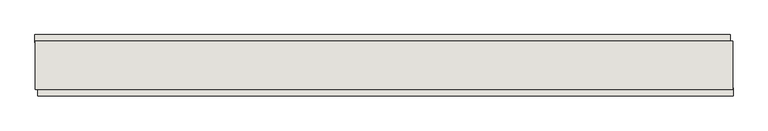
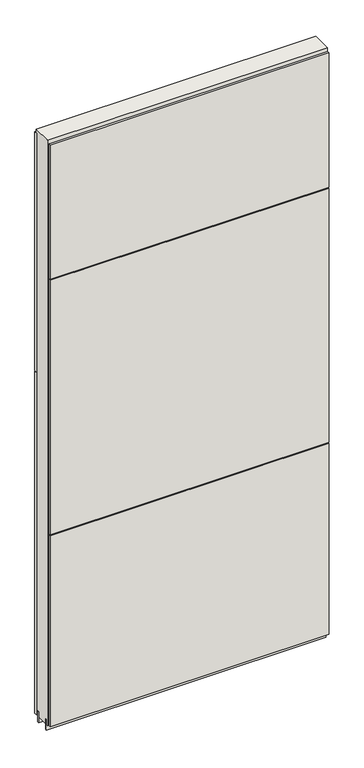
"""IFC4 building model written with IfcOpenShell, lengths in millimetres: wall geometry."""

from ifc_helpers import new_model, si_unit, frame, origin, place, context, project, spatial, polyline, outline, extrude, source, transform, mapped, element, save


def wall_36189a36(model_context):
    return source(origin(), model_context, "Body", "SweptSolid", [
        extrude(outline(polyline([(81634.308918, -53666.744711), (81631.768918, -53666.744711), (81631.768918, -53664.204711), (81634.308918, -53664.204711), (81634.308918, -53666.744711)])), frame((0.0, 0.0, 4419.6), z_axis=(0.0, 0.0, 1.0), x_axis=(1.0, 0.0, 0.0)), (0.0, 0.0, 1.0), 2.54),
        extrude(outline(polyline([(80474.4442324, -53614.674711), (81629.8440552, -53614.674711), (81629.8440552, -53627.374711), (80474.4442324, -53627.374711), (80474.4442324, -53614.674711)])), frame((0.0, 0.0, 5945.6000722), z_axis=(0.0, 0.0, 1.0), x_axis=(1.0, 0.0, 0.0)), (0.0, 0.0, 1.0), 1044.449905),
        extrude(outline(polyline([(80474.4442324, -53614.674711), (81629.8440552, -53614.674711), (81629.8440552, -53627.374711), (80474.4442324, -53627.374711), (80474.4442324, -53614.674711)])), frame((0.0, 0.0, 4445.0), z_axis=(0.0, 0.0, 1.0), x_axis=(1.0, 0.0, 0.0)), (0.0, 0.0, 1.0), 1496.600004),
        extrude(outline(polyline([(81634.773992, -53716.274711), (80479.3741692, -53716.274711), (80479.3741692, -53703.574711), (81634.773992, -53703.574711), (81634.773992, -53716.274711)])), frame((0.0, 0.0, 6402.8000722), z_axis=(0.0, 0.0, 1.0), x_axis=(1.0, 0.0, 0.0)), (0.0, 0.0, 1.0), 587.2498034),
        extrude(outline(polyline([(81634.773992, -53716.274711), (80479.3741692, -53716.274711), (80479.3741692, -53703.574711), (81634.773992, -53703.574711), (81634.773992, -53716.274711)])), frame((0.0, 0.0, 5285.2000722), z_axis=(0.0, 0.0, 1.0), x_axis=(1.0, 0.0, 0.0)), (0.0, 0.0, 1.0), 1113.5999572),
        extrude(outline(polyline([(81634.773992, -53716.274711), (80479.3741692, -53716.274711), (80479.3741692, -53703.574711), (81634.773992, -53703.574711), (81634.773992, -53716.274711)])), frame((0.0, 0.0, 4445.0), z_axis=(0.0, 0.0, 1.0), x_axis=(1.0, 0.0, 0.0)), (0.0, 0.0, 1.0), 836.200004),
        extrude(outline(polyline([(81634.303965, -53640.4033616), (80474.8956666, -53640.4033616), (80474.8956666, -53635.2998158), (81634.303965, -53635.2998158), (81634.303965, -53640.4033616)])), frame((0.0, 0.0, 4418.6602), z_axis=(0.0, 0.0, 1.0), x_axis=(1.0, 0.0, 0.0)), (0.0, 0.0, 1.0), 47.625),
        extrude(outline(polyline([(81634.303965, -53640.4033616), (80474.8956666, -53640.4033616), (80474.8956666, -53635.2998158), (81634.303965, -53635.2998158), (81634.303965, -53640.4033616)])), frame((0.0, 0.0, 4418.6602), z_axis=(0.0, 0.0, 1.0), x_axis=(1.0, 0.0, 0.0)), (0.0, 0.0, 1.0), 47.625),
        extrude(outline(polyline([(80474.8956666, -53690.546035), (81634.303965, -53690.546035), (81634.303965, -53695.6248158), (80474.8956666, -53695.6248158), (80474.8956666, -53690.546035)])), frame((0.0, 0.0, 4418.6602), z_axis=(0.0, 0.0, 1.0), x_axis=(1.0, 0.0, 0.0)), (0.0, 0.0, 1.0), 47.625),
        extrude(outline(polyline([(80474.8956666, -53690.546035), (81634.303965, -53690.546035), (81634.303965, -53695.6248158), (80474.8956666, -53695.6248158), (80474.8956666, -53690.546035)])), frame((0.0, 0.0, 4418.6602), z_axis=(0.0, 0.0, 1.0), x_axis=(1.0, 0.0, 0.0)), (0.0, 0.0, 1.0), 47.625),
        extrude(outline(polyline([(81634.303965, -53624.8384194), (81634.303965, -53706.1171748), (80474.8956666, -53706.1171748), (80474.8956666, -53624.8384194), (81634.303965, -53624.8384194)])), frame((0.0, 0.0, 4445.0), z_axis=(0.0, 0.0, 1.0), x_axis=(1.0, 0.0, 0.0)), (0.0, 0.0, 1.0), 2562.4536762),
    ])


if __name__ == "__main__":
    model = new_model("IFC4")
    model_context = context("Model", 3, world=origin())
    ifc_project = project(units=[si_unit("LENGTHUNIT", "METRE", prefix="MILLI")], contexts=[model_context])
    site = spatial("IfcSite", under=ifc_project)
    building = spatial("IfcBuilding", under=site)
    placement = place(None, origin())
    wall_shape = wall_36189a36(model_context)
    element("IfcWall", 1, at=placement, inside=building, context=model_context, shape_type="MappedRepresentation", body=[
        mapped(wall_shape, transform((0.0, 0.0, 0.0), x_axis=(1.0, 0.0, 0.0), y_axis=(0.0, 1.0, 0.0), z_axis=(0.0, 0.0, 1.0))),
    ])
    save(model, "model.ifc")
